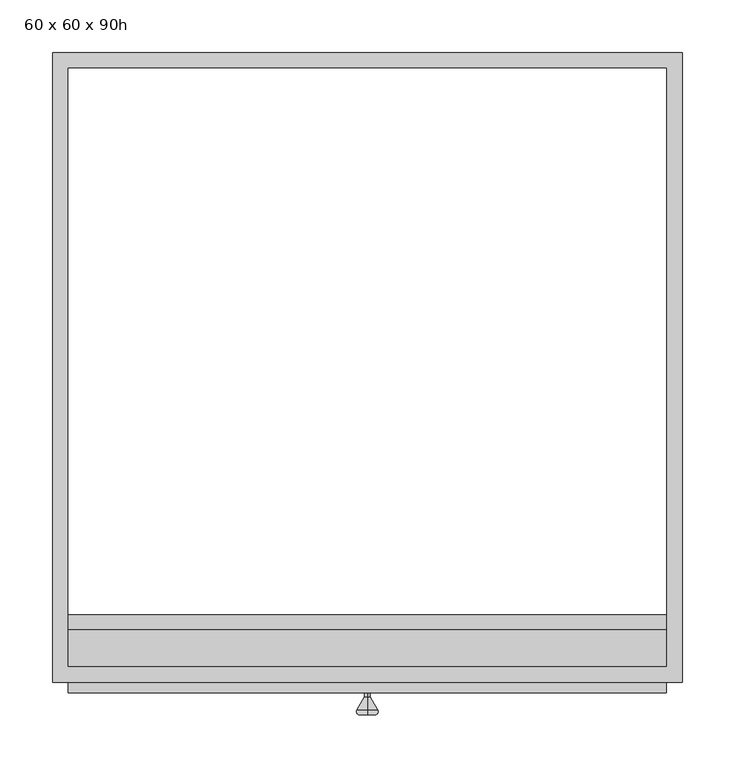
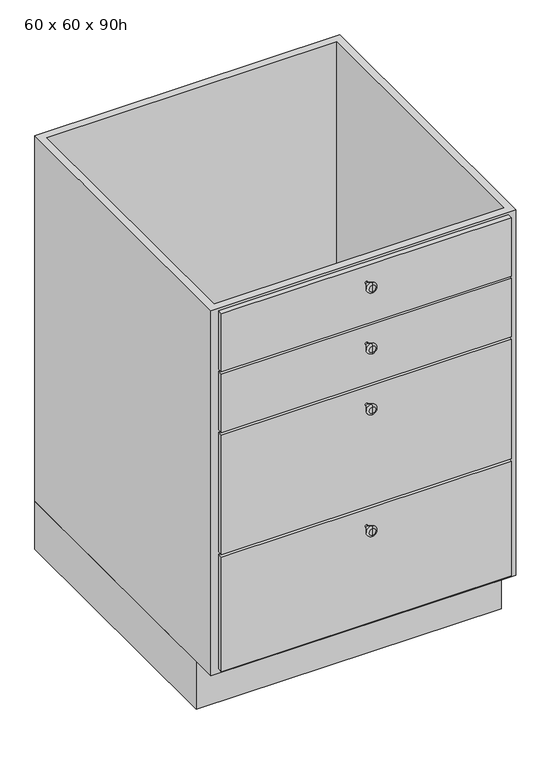
"""IFC4 building model written with IfcOpenShell, lengths in millimetres: furniture geometry, 60 x 60 x 90h."""

from ifc_helpers import new_model, si_unit, point, frame, origin, origin_with_axes, place, context, project, spatial, polyline, circle_curve, ellipse_curve, trimmed, outline, extrude, faceted_brep, source, transform, mapped, element, save
from ifc_brep_helpers import plane_surface, cylinder_surface, revolved_surface, advanced_brep


def furniture_60_x_60_x_90h_70c7c233(model_context):
    return source(origin(), model_context, "Body", "SolidModel", [
        extrude(outline(polyline([(329.7003264, -610.0), (-240.2996736, -610.0), (-240.2996736, -600.0), (329.7003264, -600.0), (329.7003264, -610.0)])), frame((0.0, 0.0, 733.3333333), z_axis=(0.0, 0.0, 1.0), x_axis=(1.0, 0.0, 0.0)), (0.0, 0.0, 1.0), 121.6666667),
        extrude(outline(polyline([(329.7003264, -610.0), (-240.2996736, -610.0), (-240.2996736, -600.0), (329.7003264, -600.0), (329.7003264, -610.0)])), frame((0.0, 0.0, 606.6666667), z_axis=(0.0, 0.0, 1.0), x_axis=(1.0, 0.0, 0.0)), (0.0, 0.0, 1.0), 121.6666667),
        extrude(outline(polyline([(329.7003264, -610.0), (-240.2996736, -610.0), (-240.2996736, -600.0), (329.7003264, -600.0), (329.7003264, -610.0)])), frame((0.0, 0.0, 353.3333333), z_axis=(0.0, 0.0, 1.0), x_axis=(1.0, 0.0, 0.0)), (0.0, 0.0, 1.0), 248.3333333),
        extrude(outline(polyline([(329.7003264, -610.0), (-240.2996736, -610.0), (-240.2996736, -600.0), (329.7003264, -600.0), (329.7003264, -610.0)])), frame((0.0, 0.0, 110.0), z_axis=(0.0, 0.0, 1.0), x_axis=(1.0, 0.0, 0.0)), (0.0, 0.0, 1.0), 238.3333333),
        faceted_brep([(344.7003264, 0.0, 860.0), (-255.2996736, 0.0, 860.0), (-255.2996736, -600.0, 860.0), (344.7003264, -600.0, 860.0), (329.7003264, -15.0, 860.0), (329.7003264, -585.0, 860.0), (-240.2996736, -585.0, 860.0), (-240.2996736, -15.0, 860.0), (344.7003264, 0.0, 100.0), (344.7003264, -600.0, 100.0), (-255.2996736, -600.0, 100.0), (-255.2996736, 0.0, 100.0), (329.7003264, -15.0, 100.0), (-240.2996736, -15.0, 100.0), (-240.2996736, -550.0, 100.0), (329.7003264, -550.0, 100.0), (329.7003264, -550.0, 115.0), (329.7003264, -585.0, 115.0), (-240.2996736, -585.0, 115.0), (-240.2996736, -550.0, 115.0)], [[[0, 1, 2, 3], [4, 5, 6, 7]], [[8, 9, 10, 11], [12, 13, 14, 15]], [[1, 0, 8, 11]], [[2, 1, 11, 10]], [[3, 2, 10, 9]], [[0, 3, 9, 8]], [[5, 4, 12, 15, 16, 17]], [[6, 5, 17, 18]], [[7, 6, 18, 19, 14, 13]], [[4, 7, 13, 12]], [[16, 19, 18, 17]], [[19, 16, 15, 14]]]),
        extrude(outline(polyline([(344.7003264, 0.0), (344.7003264, -550.0), (-255.2996736, -550.0), (-255.2996736, 0.0), (344.7003264, 0.0)]), holes=[polyline([(329.7003264, -15.0), (-240.2996736, -15.0), (-240.2996736, -535.0), (329.7003264, -535.0), (329.7003264, -15.0)])]), origin_with_axes(), (0.0, 0.0, 1.0), 100.0),
        advanced_brep(
        [(44.7003264, -610.0, 310.6687252), (44.7003264, -610.0, 315.9979415), (44.7003264, -610.0, 313.3333333), (44.7003264, -613.75, 310.6687252), (44.7003264, -613.75, 315.9979415), (44.7003264, -626.2222894, 303.4678456), (44.7003264, -626.2222894, 323.1988211), (44.7003264, -631.0705081, 306.2669659), (44.7003264, -631.0705081, 320.3997008), (44.7003264, -631.0705081, 313.3333333)],
        [
            (0, 1, circle_curve(frame((44.7003264, -610.0, 313.3333333), z_axis=(0.0, 1.0, 0.0), x_axis=(0.0, 0.0, 1.0)), 2.6646081)),
            (1, 2),
            (2, 0),
            (1, 0, circle_curve(frame((44.7003264, -610.0, 313.3333333), z_axis=(0.0, 1.0, 0.0), x_axis=(0.0, 0.0, 1.0)), 2.6646081)),
            (3, 4, circle_curve(frame((44.7003264, -613.75, 313.3333333), z_axis=(0.0, 1.0, 0.0), x_axis=(0.0, 0.0, 1.0)), 2.6646081)),
            (4, 1),
            (0, 3),
            (4, 3, circle_curve(frame((44.7003264, -613.75, 313.3333333), z_axis=(0.0, 1.0, 0.0), x_axis=(0.0, 0.0, 1.0)), 2.6646081)),
            (5, 6, circle_curve(frame((44.7003264, -626.2222894, 313.3333333), z_axis=(0.0, 1.0, 0.0), x_axis=(0.0, 0.0, 1.0)), 9.8654878)),
            (6, 4),
            (3, 5),
            (6, 5, circle_curve(frame((44.7003264, -626.2222894, 313.3333333), z_axis=(0.0, 1.0, 0.0), x_axis=(0.0, 0.0, 1.0)), 9.8654878)),
            (7, 8, circle_curve(frame((44.7003264, -631.0705081, 313.3333333), z_axis=(0.0, 1.0, 0.0), x_axis=(0.0, 0.0, 1.0)), 7.0663674)),
            (8, 6, circle_curve(frame((44.7003264, -627.8383623, 320.3997008), z_axis=(-1.0, 0.0, 0.0), x_axis=(0.0, 1.0, 0.0)), 3.2321458)),
            (5, 7, circle_curve(frame((44.7003264, -627.8383623, 306.2669659), z_axis=(-1.0, 0.0, 0.0), x_axis=(0.0, 1.0, 0.0)), 3.2321458)),
            (8, 7, circle_curve(frame((44.7003264, -631.0705081, 313.3333333), z_axis=(0.0, 1.0, 0.0), x_axis=(0.0, 0.0, 1.0)), 7.0663674)),
            (9, 8),
            (7, 9),
        ],
        [
            plane_surface(frame((44.7003264, -610.0, 313.3333333), z_axis=(0.0, 1.0, 0.0), x_axis=(0.0, 0.0, 1.0))),
            cylinder_surface(frame((44.7003264, -610.0, 313.3333333), z_axis=(0.0, -1.0, 0.0), x_axis=(0.0, 0.0, 1.0)), 2.6646081),
            revolved_surface(polyline([(44.7003264, -613.75, 315.9979415), (44.7003264, -626.2222894, 323.1988211)]), (44.7003264, -610.0, 313.3333333), (0.0, -1.0, 0.0)),
            revolved_surface(trimmed(ellipse_curve(frame((44.7003264, -627.8383623, 320.3997008), z_axis=(1.0, 0.0, 0.0), x_axis=(0.0, 1.0, 0.0)), 3.2321458, 3.2321458), [point((44.7003264, -626.2222894, 323.1988211))], [point((44.7003264, -631.0705081, 320.3997008))], True, "CARTESIAN"), (44.7003264, -610.0, 313.3333333), (0.0, -1.0, 0.0)),
            plane_surface(frame((44.7003264, -631.0705081, 313.3333333), z_axis=(0.0, -1.0, 0.0), x_axis=(0.0, 0.0, 1.0))),
        ],
        [
            (0, [[1, 2, 3]]),
            (0, [[4, -3, -2]]),
            (1, [[5, 6, -1, 7]]),
            (1, [[8, -7, -4, -6]]),
            (2, [[9, 10, -5, 11]]),
            (2, [[12, -11, -8, -10]]),
            (3, [[13, 14, -9, 15]]),
            (3, [[16, -15, -12, -14]]),
            (4, [[17, -13, 18]]),
            (4, [[-18, -16, -17]]),
        ],
    ),
        advanced_brep(
        [(44.7003264, -610.0, 564.0020585), (44.7003264, -610.0, 569.3312748), (44.7003264, -610.0, 566.6666667), (44.7003264, -613.75, 564.0020585), (44.7003264, -613.75, 569.3312748), (44.7003264, -626.2222894, 556.8011789), (44.7003264, -626.2222894, 576.5321544), (44.7003264, -631.0705081, 559.6002992), (44.7003264, -631.0705081, 573.7330341), (44.7003264, -631.0705081, 566.6666667)],
        [
            (0, 1, circle_curve(frame((44.7003264, -610.0, 566.6666667), z_axis=(0.0, 1.0, 0.0), x_axis=(0.0, 0.0, 1.0)), 2.6646081)),
            (1, 2),
            (2, 0),
            (1, 0, circle_curve(frame((44.7003264, -610.0, 566.6666667), z_axis=(0.0, 1.0, 0.0), x_axis=(0.0, 0.0, 1.0)), 2.6646081)),
            (3, 4, circle_curve(frame((44.7003264, -613.75, 566.6666667), z_axis=(0.0, 1.0, 0.0), x_axis=(0.0, 0.0, 1.0)), 2.6646081)),
            (4, 1),
            (0, 3),
            (4, 3, circle_curve(frame((44.7003264, -613.75, 566.6666667), z_axis=(0.0, 1.0, 0.0), x_axis=(0.0, 0.0, 1.0)), 2.6646081)),
            (5, 6, circle_curve(frame((44.7003264, -626.2222894, 566.6666667), z_axis=(0.0, 1.0, 0.0), x_axis=(0.0, 0.0, 1.0)), 9.8654878)),
            (6, 4),
            (3, 5),
            (6, 5, circle_curve(frame((44.7003264, -626.2222894, 566.6666667), z_axis=(0.0, 1.0, 0.0), x_axis=(0.0, 0.0, 1.0)), 9.8654878)),
            (7, 8, circle_curve(frame((44.7003264, -631.0705081, 566.6666667), z_axis=(0.0, 1.0, 0.0), x_axis=(0.0, 0.0, 1.0)), 7.0663674)),
            (8, 6, circle_curve(frame((44.7003264, -627.8383623, 573.7330341), z_axis=(-1.0, 0.0, 0.0), x_axis=(0.0, 1.0, 0.0)), 3.2321458)),
            (5, 7, circle_curve(frame((44.7003264, -627.8383623, 559.6002992), z_axis=(-1.0, 0.0, 0.0), x_axis=(0.0, 1.0, 0.0)), 3.2321458)),
            (8, 7, circle_curve(frame((44.7003264, -631.0705081, 566.6666667), z_axis=(0.0, 1.0, 0.0), x_axis=(0.0, 0.0, 1.0)), 7.0663674)),
            (9, 8),
            (7, 9),
        ],
        [
            plane_surface(frame((44.7003264, -610.0, 566.6666667), z_axis=(0.0, 1.0, 0.0), x_axis=(0.0, 0.0, 1.0))),
            cylinder_surface(frame((44.7003264, -610.0, 566.6666667), z_axis=(0.0, -1.0, 0.0), x_axis=(0.0, 0.0, 1.0)), 2.6646081),
            revolved_surface(polyline([(44.7003264, -613.75, 569.3312748), (44.7003264, -626.2222894, 576.5321544)]), (44.7003264, -610.0, 566.6666667), (0.0, -1.0, 0.0)),
            revolved_surface(trimmed(ellipse_curve(frame((44.7003264, -627.8383623, 573.7330341), z_axis=(1.0, 0.0, 0.0), x_axis=(0.0, 1.0, 0.0)), 3.2321458, 3.2321458), [point((44.7003264, -626.2222894, 576.5321544))], [point((44.7003264, -631.0705081, 573.7330341))], True, "CARTESIAN"), (44.7003264, -610.0, 566.6666667), (0.0, -1.0, 0.0)),
            plane_surface(frame((44.7003264, -631.0705081, 566.6666667), z_axis=(0.0, -1.0, 0.0), x_axis=(0.0, 0.0, 1.0))),
        ],
        [
            (0, [[1, 2, 3]]),
            (0, [[4, -3, -2]]),
            (1, [[5, 6, -1, 7]]),
            (1, [[8, -7, -4, -6]]),
            (2, [[9, 10, -5, 11]]),
            (2, [[12, -11, -8, -10]]),
            (3, [[13, 14, -9, 15]]),
            (3, [[16, -15, -12, -14]]),
            (4, [[17, -13, 18]]),
            (4, [[-18, -16, -17]]),
        ],
    ),
        advanced_brep(
        [(44.7003264, -610.0, 690.6687252), (44.7003264, -610.0, 695.9979415), (44.7003264, -610.0, 693.3333333), (44.7003264, -613.75, 690.6687252), (44.7003264, -613.75, 695.9979415), (44.7003264, -626.2222894, 683.4678456), (44.7003264, -626.2222894, 703.1988211), (44.7003264, -631.0705081, 686.2669659), (44.7003264, -631.0705081, 700.3997008), (44.7003264, -631.0705081, 693.3333333)],
        [
            (0, 1, circle_curve(frame((44.7003264, -610.0, 693.3333333), z_axis=(0.0, 1.0, 0.0), x_axis=(0.0, 0.0, 1.0)), 2.6646081)),
            (1, 2),
            (2, 0),
            (1, 0, circle_curve(frame((44.7003264, -610.0, 693.3333333), z_axis=(0.0, 1.0, 0.0), x_axis=(0.0, 0.0, 1.0)), 2.6646081)),
            (3, 4, circle_curve(frame((44.7003264, -613.75, 693.3333333), z_axis=(0.0, 1.0, 0.0), x_axis=(0.0, 0.0, 1.0)), 2.6646081)),
            (4, 1),
            (0, 3),
            (4, 3, circle_curve(frame((44.7003264, -613.75, 693.3333333), z_axis=(0.0, 1.0, 0.0), x_axis=(0.0, 0.0, 1.0)), 2.6646081)),
            (5, 6, circle_curve(frame((44.7003264, -626.2222894, 693.3333333), z_axis=(0.0, 1.0, 0.0), x_axis=(0.0, 0.0, 1.0)), 9.8654878)),
            (6, 4),
            (3, 5),
            (6, 5, circle_curve(frame((44.7003264, -626.2222894, 693.3333333), z_axis=(0.0, 1.0, 0.0), x_axis=(0.0, 0.0, 1.0)), 9.8654878)),
            (7, 8, circle_curve(frame((44.7003264, -631.0705081, 693.3333333), z_axis=(0.0, 1.0, 0.0), x_axis=(0.0, 0.0, 1.0)), 7.0663674)),
            (8, 6, circle_curve(frame((44.7003264, -627.8383623, 700.3997008), z_axis=(-1.0, 0.0, 0.0), x_axis=(0.0, 1.0, 0.0)), 3.2321458)),
            (5, 7, circle_curve(frame((44.7003264, -627.8383623, 686.2669659), z_axis=(-1.0, 0.0, 0.0), x_axis=(0.0, 1.0, 0.0)), 3.2321458)),
            (8, 7, circle_curve(frame((44.7003264, -631.0705081, 693.3333333), z_axis=(0.0, 1.0, 0.0), x_axis=(0.0, 0.0, 1.0)), 7.0663674)),
            (9, 8),
            (7, 9),
        ],
        [
            plane_surface(frame((44.7003264, -610.0, 693.3333333), z_axis=(0.0, 1.0, 0.0), x_axis=(0.0, 0.0, 1.0))),
            cylinder_surface(frame((44.7003264, -610.0, 693.3333333), z_axis=(0.0, -1.0, 0.0), x_axis=(0.0, 0.0, 1.0)), 2.6646081),
            revolved_surface(polyline([(44.7003264, -613.75, 695.9979415), (44.7003264, -626.2222894, 703.1988211)]), (44.7003264, -610.0, 693.3333333), (0.0, -1.0, 0.0)),
            revolved_surface(trimmed(ellipse_curve(frame((44.7003264, -627.8383623, 700.3997008), z_axis=(1.0, 0.0, 0.0), x_axis=(0.0, 1.0, 0.0)), 3.2321458, 3.2321458), [point((44.7003264, -626.2222894, 703.1988211))], [point((44.7003264, -631.0705081, 700.3997008))], True, "CARTESIAN"), (44.7003264, -610.0, 693.3333333), (0.0, -1.0, 0.0)),
            plane_surface(frame((44.7003264, -631.0705081, 693.3333333), z_axis=(0.0, -1.0, 0.0), x_axis=(0.0, 0.0, 1.0))),
        ],
        [
            (0, [[1, 2, 3]]),
            (0, [[4, -3, -2]]),
            (1, [[5, 6, -1, 7]]),
            (1, [[8, -7, -4, -6]]),
            (2, [[9, 10, -5, 11]]),
            (2, [[12, -11, -8, -10]]),
            (3, [[13, 14, -9, 15]]),
            (3, [[16, -15, -12, -14]]),
            (4, [[17, -13, 18]]),
            (4, [[-18, -16, -17]]),
        ],
    ),
        advanced_brep(
        [(44.7003264, -610.0, 817.3353919), (44.7003264, -610.0, 822.6646081), (44.7003264, -610.0, 820.0), (44.7003264, -613.75, 817.3353919), (44.7003264, -613.75, 822.6646081), (44.7003264, -626.2222894, 810.1345122), (44.7003264, -626.2222894, 829.8654878), (44.7003264, -631.0705081, 812.9336326), (44.7003264, -631.0705081, 827.0663674), (44.7003264, -631.0705081, 820.0)],
        [
            (0, 1, circle_curve(frame((44.7003264, -610.0, 820.0), z_axis=(0.0, 1.0, 0.0), x_axis=(0.0, 0.0, 1.0)), 2.6646081)),
            (1, 2),
            (2, 0),
            (1, 0, circle_curve(frame((44.7003264, -610.0, 820.0), z_axis=(0.0, 1.0, 0.0), x_axis=(0.0, 0.0, 1.0)), 2.6646081)),
            (3, 4, circle_curve(frame((44.7003264, -613.75, 820.0), z_axis=(0.0, 1.0, 0.0), x_axis=(0.0, 0.0, 1.0)), 2.6646081)),
            (4, 1),
            (0, 3),
            (4, 3, circle_curve(frame((44.7003264, -613.75, 820.0), z_axis=(0.0, 1.0, 0.0), x_axis=(0.0, 0.0, 1.0)), 2.6646081)),
            (5, 6, circle_curve(frame((44.7003264, -626.2222894, 820.0), z_axis=(0.0, 1.0, 0.0), x_axis=(0.0, 0.0, 1.0)), 9.8654878)),
            (6, 4),
            (3, 5),
            (6, 5, circle_curve(frame((44.7003264, -626.2222894, 820.0), z_axis=(0.0, 1.0, 0.0), x_axis=(0.0, 0.0, 1.0)), 9.8654878)),
            (7, 8, circle_curve(frame((44.7003264, -631.0705081, 820.0), z_axis=(0.0, 1.0, 0.0), x_axis=(0.0, 0.0, 1.0)), 7.0663674)),
            (8, 6, circle_curve(frame((44.7003264, -627.8383623, 827.0663674), z_axis=(-1.0, 0.0, 0.0), x_axis=(0.0, 1.0, 0.0)), 3.2321458)),
            (5, 7, circle_curve(frame((44.7003264, -627.8383623, 812.9336326), z_axis=(-1.0, 0.0, 0.0), x_axis=(0.0, 1.0, 0.0)), 3.2321458)),
            (8, 7, circle_curve(frame((44.7003264, -631.0705081, 820.0), z_axis=(0.0, 1.0, 0.0), x_axis=(0.0, 0.0, 1.0)), 7.0663674)),
            (9, 8),
            (7, 9),
        ],
        [
            plane_surface(frame((44.7003264, -610.0, 820.0), z_axis=(0.0, 1.0, 0.0), x_axis=(0.0, 0.0, 1.0))),
            cylinder_surface(frame((44.7003264, -610.0, 820.0), z_axis=(0.0, -1.0, 0.0), x_axis=(0.0, 0.0, 1.0)), 2.6646081),
            revolved_surface(polyline([(44.7003264, -613.75, 822.6646081), (44.7003264, -626.2222894, 829.8654878)]), (44.7003264, -610.0, 820.0), (0.0, -1.0, 0.0)),
            revolved_surface(trimmed(ellipse_curve(frame((44.7003264, -627.8383623, 827.0663674), z_axis=(1.0, 0.0, 0.0), x_axis=(0.0, 1.0, 0.0)), 3.2321458, 3.2321458), [point((44.7003264, -626.2222894, 829.8654878))], [point((44.7003264, -631.0705081, 827.0663674))], True, "CARTESIAN"), (44.7003264, -610.0, 820.0), (0.0, -1.0, 0.0)),
            plane_surface(frame((44.7003264, -631.0705081, 820.0), z_axis=(0.0, -1.0, 0.0), x_axis=(0.0, 0.0, 1.0))),
        ],
        [
            (0, [[1, 2, 3]]),
            (0, [[4, -3, -2]]),
            (1, [[5, 6, -1, 7]]),
            (1, [[8, -7, -4, -6]]),
            (2, [[9, 10, -5, 11]]),
            (2, [[12, -11, -8, -10]]),
            (3, [[13, 14, -9, 15]]),
            (3, [[16, -15, -12, -14]]),
            (4, [[17, -13, 18]]),
            (4, [[-18, -16, -17]]),
        ],
    ),
    ])


if __name__ == "__main__":
    model = new_model("IFC4")
    model_context = context("Model", 3, world=origin())
    ifc_project = project(units=[si_unit("LENGTHUNIT", "METRE", prefix="MILLI")], contexts=[model_context])
    site = spatial("IfcSite", under=ifc_project)
    building = spatial("IfcBuilding", under=site)
    placement = place(None, origin())
    furniture_60_x_60_x_90h_shape = furniture_60_x_60_x_90h_70c7c233(model_context)
    element("IfcFurniture", 1, ObjectType="60 x 60 x 90h", at=placement, inside=building, context=model_context, shape_type="MappedRepresentation", body=[
        mapped(furniture_60_x_60_x_90h_shape, transform((0.0, 0.0, 0.0), x_axis=(1.0, 0.0, 0.0), y_axis=(0.0, 1.0, 0.0), z_axis=(0.0, 0.0, 1.0))),
    ])
    save(model, "model.ifc")
